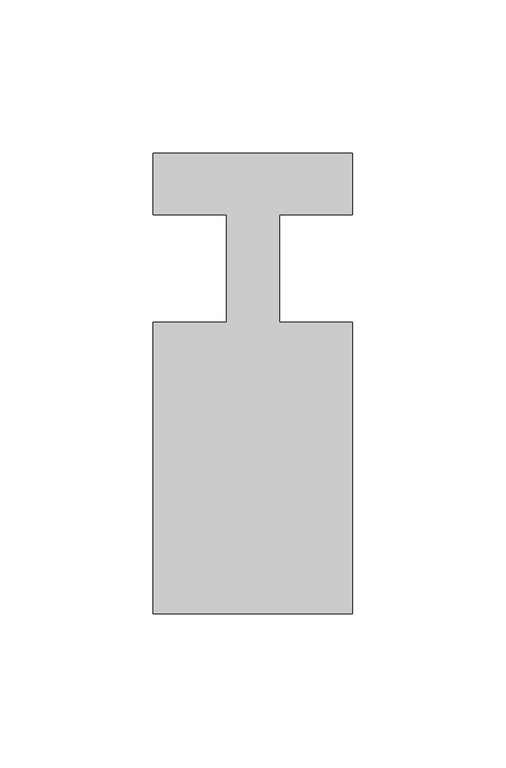
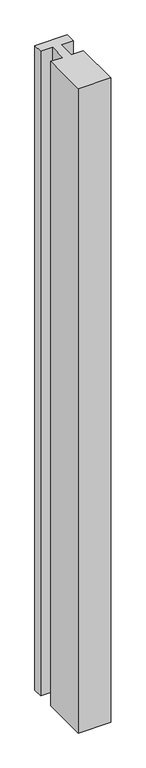
"""IFC4 building model written with IfcOpenShell, lengths in millimetres: member geometry."""

import ifcopenshell
import ifcopenshell.guid

model = None  # the IFC model being written
_history = None  # IfcOwnerHistory: only IFC2X3 demands one
_inside = {}  # id of a spatial element -> (the spatial element, [elements in it])
_under = {}  # id of a project, library or spatial element -> (it, [spatial elements below it])
_declared = {}  # id of a project -> (the project, [libraries it declares])
_typed = {}  # id of a type object -> (the type object, [elements of that type])
_made_of = {}  # id of a material, layer set ... -> (it, [elements and type objects made of it])


def new_model(schema):
    """Start an empty IFC model of exactly this schema.

    Asked for "IFC4X3", IfcOpenShell would pick the latest addendum, in which some entities
    have other attributes; the version numbers below select the first issue.
    IFC2X3 requires an IfcOwnerHistory on every rooted entity: one is made here for all.
    """
    global model, _history
    if schema == "IFC4X3":
        model = ifcopenshell.file(schema_version=(4, 3, 0, 0))
    else:
        model = ifcopenshell.file(schema=schema)
    _inside.clear()
    _under.clear()
    _declared.clear()
    _typed.clear()
    _made_of.clear()
    _history = None
    if model.schema == "IFC2X3":
        org = make("IfcOrganization", Name="unknown")
        user = make(
            "IfcPersonAndOrganization",
            ThePerson=make("IfcPerson", FamilyName="unknown"),
            TheOrganization=org,
        )
        app = make(
            "IfcApplication",
            ApplicationDeveloper=org,
            Version="unknown",
            ApplicationFullName="unknown",
            ApplicationIdentifier="unknown",
        )
        _history = make(
            "IfcOwnerHistory",
            OwningUser=user,
            OwningApplication=app,
            ChangeAction="ADDED",
            CreationDate=0,
        )
    return model


def make(cls, **values):
    """One entity of the class cls with the attributes given. An attribute that is None is left unset."""
    return model.create_entity(
        cls, **{name: value for name, value in values.items() if value is not None}
    )


def rooted(cls, **values):
    """An entity with a GlobalId (a new one), such as an element, a storey or a relation."""
    return make(cls, GlobalId=ifcopenshell.guid.new(), OwnerHistory=_history, **values)


def si_unit(unit_type, name, prefix=None):
    """IfcSIUnit, for example si_unit("LENGTHUNIT", "METRE", prefix="MILLI")."""
    return make("IfcSIUnit", UnitType=unit_type, Prefix=prefix, Name=name)


def assignment(units):
    """IfcUnitAssignment: the units of a project."""
    return None if units is None else make("IfcUnitAssignment", Units=units)


def point(xyz):
    """IfcCartesianPoint."""
    return None if xyz is None else make("IfcCartesianPoint", Coordinates=xyz)


def direction(xyz):
    """IfcDirection."""
    return None if xyz is None else make("IfcDirection", DirectionRatios=xyz)


def frame(location, z_axis=None, x_axis=None):
    """IfcAxis2Placement3D, a coordinate frame: its origin and axes. An axis left out is left unset."""
    return make(
        "IfcAxis2Placement3D",
        Location=point(location),
        Axis=direction(z_axis),
        RefDirection=direction(x_axis),
    )


def origin():
    """The frame at (0, 0, 0) with its axes left unset."""
    return frame((0.0, 0.0, 0.0))


def place(relative_to, where):
    """IfcLocalPlacement: puts the frame where relative to a parent placement (None: the world)."""
    return make(
        "IfcLocalPlacement", PlacementRelTo=relative_to, RelativePlacement=where
    )


def context(
    kind, dimensions, precision=None, world=None, true_north=None, identifier=None
):
    """IfcGeometricRepresentationContext, for example the 3D "Model" context."""
    return make(
        "IfcGeometricRepresentationContext",
        ContextIdentifier=identifier,
        ContextType=kind,
        CoordinateSpaceDimension=dimensions,
        Precision=precision,
        WorldCoordinateSystem=world,
        TrueNorth=true_north,
    )


def project(units=None, contexts=None):
    """IfcProject with its units and contexts."""
    return rooted(
        "IfcProject",
        Name="project",
        RepresentationContexts=contexts,
        UnitsInContext=assignment(units),
    )


def spatial(cls, under=None, at=None, **own):
    """A site, building, storey or space (cls), placed at a placement, below another one or the project."""
    s = rooted(cls, ObjectPlacement=at, **own)
    if under is not None:
        _under.setdefault(under.id(), (under, []))[1].append(s)
    return s


def polyline(points):
    """IfcPolyline through the points."""
    return make("IfcPolyline", Points=[point(p) for p in points])


def outline(outer, holes=None, kind="AREA"):
    """IfcArbitraryClosedProfileDef: a profile drawn as a closed curve; with holes, ...WithVoids."""
    if holes is None:
        return make("IfcArbitraryClosedProfileDef", ProfileType=kind, OuterCurve=outer)
    return make(
        "IfcArbitraryProfileDefWithVoids",
        ProfileType=kind,
        OuterCurve=outer,
        InnerCurves=holes,
    )


def extrude(swept, where, along, depth):
    """IfcExtrudedAreaSolid: the profile swept, set in the frame where, extruded along a direction by depth."""
    return make(
        "IfcExtrudedAreaSolid",
        SweptArea=swept,
        Position=where,
        ExtrudedDirection=direction(along),
        Depth=depth,
    )


def shape(context_of_items, identifier, shape_type, items):
    """IfcShapeRepresentation: the items that make up one representation, for example the "Body"."""
    return make(
        "IfcShapeRepresentation",
        ContextOfItems=context_of_items,
        RepresentationIdentifier=identifier,
        RepresentationType=shape_type,
        Items=items,
    )


def source(mapping_origin, context_of_items, identifier, shape_type, items):
    """IfcRepresentationMap: a shape defined once, which mapped items show again and again."""
    return make(
        "IfcRepresentationMap",
        MappingOrigin=mapping_origin,
        MappedRepresentation=shape(context_of_items, identifier, shape_type, items),
    )


def transform(
    local_origin,
    x_axis=None,
    y_axis=None,
    z_axis=None,
    scale=None,
    scale2=None,
    scale3=None,
    uniform=True,
):
    """IfcCartesianTransformationOperator3D, or its non-uniform kind. x_axis, y_axis, z_axis: its Axis1, 2, 3."""
    if uniform:
        return make(
            "IfcCartesianTransformationOperator3D",
            Axis1=direction(x_axis),
            Axis2=direction(y_axis),
            LocalOrigin=point(local_origin),
            Scale=scale,
            Axis3=direction(z_axis),
        )
    return make(
        "IfcCartesianTransformationOperator3DnonUniform",
        Axis1=direction(x_axis),
        Axis2=direction(y_axis),
        LocalOrigin=point(local_origin),
        Scale=scale,
        Axis3=direction(z_axis),
        Scale2=scale2,
        Scale3=scale3,
    )


def mapped(mapping_source, mapping_target):
    """IfcMappedItem: shows the shape of a source again, moved by a transform."""
    return make(
        "IfcMappedItem", MappingSource=mapping_source, MappingTarget=mapping_target
    )


def made_of(thing, what):
    """Note that an element or type object is made of a material, layer set ...; save() writes the relation."""
    if what is not None:
        _made_of.setdefault(what.id(), (what, []))[1].append(thing)
    return thing


def element(
    cls,
    number,
    at=None,
    inside=None,
    cuts=None,
    type_object=None,
    material=None,
    context=None,
    identifier="Body",
    shape_type=None,
    held_by="IfcProductDefinitionShape",
    body=None,
    shapes=None,
    **own,
):
    """One element of the class cls, such as IfcWall. Its Tag is "e" and its number.

    at: its placement. inside: the storey or other place that contains it. cuts: it is an
    opening in that element (IfcRelVoidsElement). A single representation is given by context,
    identifier, shape_type and body (its items); several are given by shapes. held_by: the class
    of the entity that holds the representations. save() writes the other relations.
    """
    e = rooted(cls, Tag="e%d" % number, ObjectPlacement=at, **own)
    if body is not None:
        shapes = [shape(context, identifier, shape_type, body)]
    if shapes is not None:
        e.Representation = make(held_by, Representations=shapes)
    if inside is not None:
        _inside.setdefault(inside.id(), (inside, []))[1].append(e)
    if cuts is not None:
        rooted(
            "IfcRelVoidsElement", RelatingBuildingElement=cuts, RelatedOpeningElement=e
        )
    if type_object is not None:
        _typed.setdefault(type_object.id(), (type_object, []))[1].append(e)
    return made_of(e, material)


def aggregate(whole, parts):
    """IfcRelAggregates: a whole, such as a stair, and the parts it consists of."""
    return rooted("IfcRelAggregates", RelatingObject=whole, RelatedObjects=parts)


def save(model, path):
    """Write the relations noted so far, then the file.

    IfcRelAggregates (storeys below a building ...), IfcRelContainedInSpatialStructure (elements
    in a storey), IfcRelDefinesByType, IfcRelAssociatesMaterial and IfcRelDeclares: one each for
    every whole, place, type object, material and project.
    """
    for whole, parts in _under.values():
        aggregate(whole, parts)
    for where, things in _inside.values():
        rooted(
            "IfcRelContainedInSpatialStructure",
            RelatedElements=things,
            RelatingStructure=where,
        )
    for kind, things in _typed.values():
        rooted("IfcRelDefinesByType", RelatedObjects=things, RelatingType=kind)
    for what, things in _made_of.values():
        rooted("IfcRelAssociatesMaterial", RelatedObjects=things, RelatingMaterial=what)
    for by, libraries in _declared.values():
        rooted("IfcRelDeclares", RelatingContext=by, RelatedDefinitions=libraries)
    model.write(path)


def member_3626894e(model_context):
    return source(origin(), model_context, "Body", "SweptSolid", [
        extrude(outline(polyline([(-32.5, 37.0), (32.5, 37.0), (32.5, 17.0), (8.6875, 17.0), (8.6875, -18.0), (32.5, -18.0), (32.5, -113.0), (-32.5, -113.0), (-32.5, -18.0), (-8.6875, -18.0), (-8.6875, 17.0), (-32.5, 17.0), (-32.5, 37.0)])), frame((0.0, 0.0, -1361.1875), z_axis=(0.0, 0.0, 1.0), x_axis=(1.0, 0.0, 0.0)), (0.0, 0.0, 1.0), 1361.1875),
    ])


if __name__ == "__main__":
    model = new_model("IFC4")
    model_context = context("Model", 3, world=origin())
    ifc_project = project(units=[si_unit("LENGTHUNIT", "METRE", prefix="MILLI")], contexts=[model_context])
    site = spatial("IfcSite", under=ifc_project)
    building = spatial("IfcBuilding", under=site)
    placement = place(None, origin())
    member_shape = member_3626894e(model_context)
    element("IfcMember", 1, at=placement, inside=building, context=model_context, shape_type="MappedRepresentation", body=[
        mapped(member_shape, transform((0.0, 0.0, 0.0), x_axis=(1.0, 0.0, 0.0), y_axis=(0.0, 1.0, 0.0), z_axis=(0.0, 0.0, 1.0))),
    ])
    save(model, "model.ifc")
